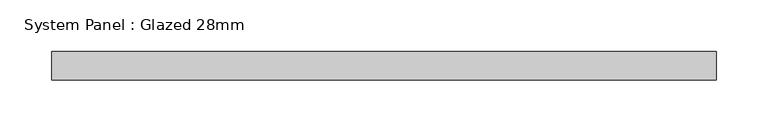
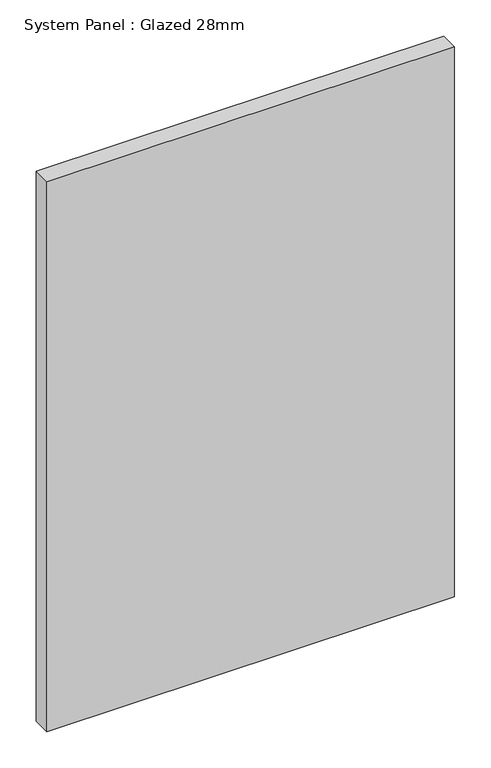
"""IFC4 building model written with IfcOpenShell, lengths in millimetres: plate geometry, System Panel : Glazed 28mm."""

from ifc_helpers import new_model, si_unit, origin, origin_with_axes, place, context, project, spatial, polyline, outline, extrude, source, transform, mapped, element, save


def system_panel_glazed_28mm_4b4b144c(model_context):
    return source(origin(), model_context, "Body", "SweptSolid", [
        extrude(outline(polyline([(322.5938474, -14.0), (-322.5938474, -14.0), (-322.5938474, 14.0), (322.5938474, 14.0), (322.5938474, -14.0)])), origin_with_axes(), (0.0, 0.0, 1.0), 920.6595328),
    ])


if __name__ == "__main__":
    model = new_model("IFC4")
    model_context = context("Model", 3, world=origin())
    ifc_project = project(units=[si_unit("LENGTHUNIT", "METRE", prefix="MILLI")], contexts=[model_context])
    site = spatial("IfcSite", under=ifc_project)
    building = spatial("IfcBuilding", under=site)
    placement = place(None, origin())
    system_panel_glazed_28mm_shape = system_panel_glazed_28mm_4b4b144c(model_context)
    element("IfcPlate", 1, ObjectType="System Panel : Glazed 28mm", at=placement, inside=building, context=model_context, shape_type="MappedRepresentation", body=[
        mapped(system_panel_glazed_28mm_shape, transform((0.0, 0.0, 0.0), x_axis=(1.0, 0.0, 0.0), y_axis=(0.0, 1.0, 0.0), z_axis=(0.0, 0.0, 1.0))),
    ])
    save(model, "model.ifc")
